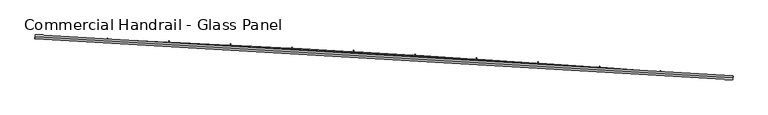
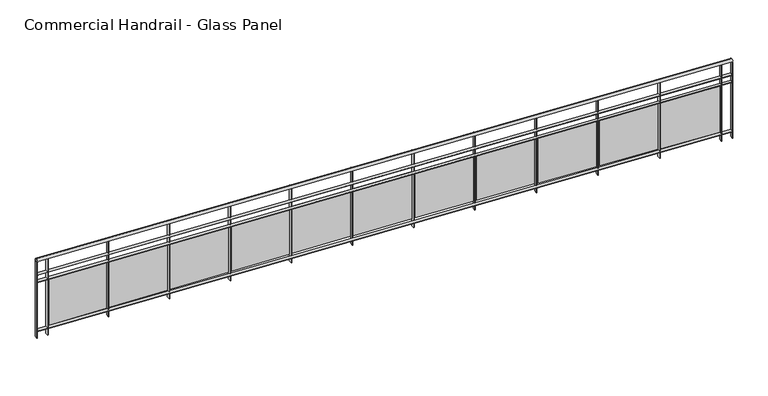
"""IFC4 building model written with IfcOpenShell, lengths in millimetres: railing geometry, Commercial Handrail - Glass Panel."""

from ifc_helpers import new_model, si_unit, point, frame, origin, place, context, project, spatial, polyline, circle_curve, ellipse_curve, trimmed, outline, extrude, source, transform, mapped, element, save
from ifc_brep_helpers import plane_surface, cylinder_surface, revolved_surface, advanced_brep


def commercial_handrail_glass_panel_46b9ec90(model_context):
    return source(origin(), model_context, "Body", "SolidModel", [
        advanced_brep(
        [(118318.4035087, -32849.2717188, 23082.5), (127382.7214131, -33380.8122629, 23082.5), (127382.7214131, -33380.8122629, 23117.5), (118318.4035087, -32849.2717188, 23117.5)],
        [
            (0, 1, circle_curve(frame((108840.1585672, -272033.3263712, 23082.5), z_axis=(0.0, 0.0, -1.0), x_axis=(0.07746344550314502, 0.9969951928724538, 0.0)), 239371.7801395)),
            (1, 2, ellipse_curve(frame((127382.7214131, -33380.8122629, 23100.0), z_axis=(-0.9969951928724544, 0.07746344550313862, 0.0), x_axis=(0.0774634455031386, 0.9969951928724542, 0.0)), 25.0, 17.5)),
            (2, 3, circle_curve(frame((108840.1585672, -272033.3263712, 23117.5), z_axis=(0.0, 0.0, 1.0), x_axis=(0.07746344550314502, 0.9969951928724538, 0.0)), 239371.7801395)),
            (3, 0, ellipse_curve(frame((118318.4035087, -32849.2717188, 23100.0), z_axis=(0.9992157576513465, -0.03959633393694334, 0.0), x_axis=(0.03959633393694333, 0.9992157576513463, 0.0)), 25.0, 17.5)),
            (2, 1, ellipse_curve(frame((127382.7214131, -33380.8122629, 23100.0), z_axis=(-0.9969951928724544, 0.07746344550313862, 0.0), x_axis=(0.0774634455031386, 0.9969951928724542, 0.0)), 25.0, 17.5)),
            (0, 3, ellipse_curve(frame((118318.4035087, -32849.2717188, 23100.0), z_axis=(0.9992157576513465, -0.03959633393694334, 0.0), x_axis=(0.03959633393694333, 0.9992157576513463, 0.0)), 25.0, 17.5)),
        ],
        [
            revolved_surface(trimmed(ellipse_curve(frame((127382.7214131, -33380.8122629, 23100.0), z_axis=(0.9969951928724538, -0.07746344550314502, 0.0), x_axis=(0.0, 0.0, -1.0)), 17.5, 25.0), [point((127382.7214131, -33380.8122629, 23117.5))], [point((127382.7214131, -33380.8122629, 23082.5))], True, "CARTESIAN"), (108840.1585672, -272033.3263712, 23100.0), (0.0, 0.0, 1.0)),
            revolved_surface(trimmed(ellipse_curve(frame((127382.7214131, -33380.8122629, 23100.0), z_axis=(0.9969951928724538, -0.07746344550314502, 0.0), x_axis=(0.0, 0.0, -1.0)), 17.5, 25.0), [point((127382.7214131, -33380.8122629, 23082.5))], [point((127382.7214131, -33380.8122629, 23117.5))], True, "CARTESIAN"), (108840.1585672, -272033.3263712, 23100.0), (0.0, 0.0, 1.0)),
            plane_surface(frame((127382.7214131, -33380.8122629, 23100.0), z_axis=(0.9969951928724538, -0.07746344550314502, 0.0), x_axis=(0.07746344550314502, 0.9969951928724538, 0.0))),
            plane_surface(frame((118318.4035087, -32849.2717188, 23100.0), z_axis=(-0.9992157576513464, 0.03959633393694337, 0.0), x_axis=(0.03959633393694337, 0.9992157576513464, 0.0))),
        ],
        [
            (0, [[1, 2, 3, 4]]),
            (1, [[-3, 5, -1, 6]]),
            (2, [[-2, -5]]),
            (3, [[-6, -4]]),
        ],
    ),
        advanced_brep(
        [(118317.5125912, -32871.7540734, 22900.0), (127380.9784855, -33403.2446547, 22900.0), (127384.4643406, -33358.379871, 22900.0), (118319.2944262, -32826.7893643, 22900.0), (118317.5125912, -32871.7540734, 22894.0), (127380.9784855, -33403.2446547, 22894.0), (118319.2944262, -32826.7893643, 22894.0), (127384.4643406, -33358.379871, 22894.0)],
        [
            (0, 1, circle_curve(frame((108840.1585672, -272033.3263712, 22900.0), z_axis=(0.0, 0.0, -1.0), x_axis=(0.07746344550314502, 0.9969951928724538, 0.0)), 239349.2801395)),
            (1, 2),
            (2, 3, circle_curve(frame((108840.1585672, -272033.3263712, 22900.0), z_axis=(0.0, 0.0, 1.0), x_axis=(0.07746344550314502, 0.9969951928724538, 0.0)), 239394.2801395)),
            (3, 0),
            (4, 5, circle_curve(frame((108840.1585672, -272033.3263712, 22894.0), z_axis=(0.0, 0.0, -1.0), x_axis=(0.07746344550314502, 0.9969951928724538, 0.0)), 239349.2801395)),
            (5, 1),
            (0, 4),
            (6, 7, circle_curve(frame((108840.1585672, -272033.3263712, 22894.0), z_axis=(0.0, 0.0, -1.0), x_axis=(0.07746344550314502, 0.9969951928724538, 0.0)), 239394.2801395)),
            (7, 5),
            (4, 6),
            (2, 7),
            (6, 3),
        ],
        [
            plane_surface(frame((108840.1585672, -272033.3263712, 22900.0), z_axis=(0.0, 0.0, 1.0), x_axis=(0.07746344550314502, 0.9969951928724538, 0.0))),
            revolved_surface(polyline([(127380.97848550315, -33403.24465463619, 22900.0), (127380.97848550315, -33403.24465463619, 22894.0)]), (108840.1585672, -272033.3263712, 22900.0), (0.0, 0.0, 1.0)),
            plane_surface(frame((108840.1585672, -272033.3263712, 22894.0), z_axis=(0.0, 0.0, -1.0), x_axis=(0.07746344550314502, 0.9969951928724538, 0.0))),
            cylinder_surface(frame((108840.1585672, -272033.3263712, 22900.0), z_axis=(0.0, 0.0, 1.0), x_axis=(0.07746344550314502, 0.9969951928724538, 0.0)), 239394.2801395),
            plane_surface(frame((127382.7214131, -33380.8122629, 22900.0), z_axis=(0.9969951928724538, -0.07746344550314502, 0.0), x_axis=(0.07746344550314502, 0.9969951928724538, 0.0))),
            plane_surface(frame((118318.4035087, -32849.2717188, 22900.0), z_axis=(-0.9992157576513464, 0.03959633393694337, 0.0), x_axis=(0.03959633393694337, 0.9992157576513464, 0.0))),
        ],
        [
            (0, [[1, 2, 3, 4]]),
            (1, [[5, 6, -1, 7]]),
            (2, [[8, 9, -5, 10]]),
            (3, [[-3, 11, -8, 12]]),
            (4, [[-2, -6, -9, -11]]),
            (5, [[-12, -10, -7, -4]]),
        ],
    ),
        advanced_brep(
        [(118317.5125912, -32871.7540734, 22800.0), (127380.9784855, -33403.2446547, 22800.0), (127384.4643406, -33358.379871, 22800.0), (118319.2944262, -32826.7893643, 22800.0), (118317.5125912, -32871.7540734, 22794.0), (127380.9784855, -33403.2446547, 22794.0), (118319.2944262, -32826.7893643, 22794.0), (127384.4643406, -33358.379871, 22794.0)],
        [
            (0, 1, circle_curve(frame((108840.1585672, -272033.3263712, 22800.0), z_axis=(0.0, 0.0, -1.0), x_axis=(0.07746344550314502, 0.9969951928724538, 0.0)), 239349.2801395)),
            (1, 2),
            (2, 3, circle_curve(frame((108840.1585672, -272033.3263712, 22800.0), z_axis=(0.0, 0.0, 1.0), x_axis=(0.07746344550314502, 0.9969951928724538, 0.0)), 239394.2801395)),
            (3, 0),
            (4, 5, circle_curve(frame((108840.1585672, -272033.3263712, 22794.0), z_axis=(0.0, 0.0, -1.0), x_axis=(0.07746344550314502, 0.9969951928724538, 0.0)), 239349.2801395)),
            (5, 1),
            (0, 4),
            (6, 7, circle_curve(frame((108840.1585672, -272033.3263712, 22794.0), z_axis=(0.0, 0.0, -1.0), x_axis=(0.07746344550314502, 0.9969951928724538, 0.0)), 239394.2801395)),
            (7, 5),
            (4, 6),
            (2, 7),
            (6, 3),
        ],
        [
            plane_surface(frame((108840.1585672, -272033.3263712, 22800.0), z_axis=(0.0, 0.0, 1.0), x_axis=(0.07746344550314502, 0.9969951928724538, 0.0))),
            revolved_surface(polyline([(127380.97848550315, -33403.24465463619, 22800.0), (127380.97848550315, -33403.24465463619, 22794.0)]), (108840.1585672, -272033.3263712, 22800.0), (0.0, 0.0, 1.0)),
            plane_surface(frame((108840.1585672, -272033.3263712, 22794.0), z_axis=(0.0, 0.0, -1.0), x_axis=(0.07746344550314502, 0.9969951928724538, 0.0))),
            cylinder_surface(frame((108840.1585672, -272033.3263712, 22800.0), z_axis=(0.0, 0.0, 1.0), x_axis=(0.07746344550314502, 0.9969951928724538, 0.0)), 239394.2801395),
            plane_surface(frame((127382.7214131, -33380.8122629, 22800.0), z_axis=(0.9969951928724538, -0.07746344550314502, 0.0), x_axis=(0.07746344550314502, 0.9969951928724538, 0.0))),
            plane_surface(frame((118318.4035087, -32849.2717188, 22800.0), z_axis=(-0.9992157576513464, 0.03959633393694337, 0.0), x_axis=(0.03959633393694337, 0.9992157576513464, 0.0))),
        ],
        [
            (0, [[1, 2, 3, 4]]),
            (1, [[5, 6, -1, 7]]),
            (2, [[8, 9, -5, 10]]),
            (3, [[-3, 11, -8, 12]]),
            (4, [[-2, -6, -9, -11]]),
            (5, [[-12, -10, -7, -4]]),
        ],
    ),
        advanced_brep(
        [(118317.5125912, -32871.7540734, 22100.0), (127380.9784855, -33403.2446547, 22100.0), (127384.4643406, -33358.379871, 22100.0), (118319.2944262, -32826.7893643, 22100.0), (118317.5125912, -32871.7540734, 22094.0), (127380.9784855, -33403.2446547, 22094.0), (118319.2944262, -32826.7893643, 22094.0), (127384.4643406, -33358.379871, 22094.0)],
        [
            (0, 1, circle_curve(frame((108840.1585672, -272033.3263712, 22100.0), z_axis=(0.0, 0.0, -1.0), x_axis=(0.07746344550314502, 0.9969951928724538, 0.0)), 239349.2801395)),
            (1, 2),
            (2, 3, circle_curve(frame((108840.1585672, -272033.3263712, 22100.0), z_axis=(0.0, 0.0, 1.0), x_axis=(0.07746344550314502, 0.9969951928724538, 0.0)), 239394.2801395)),
            (3, 0),
            (4, 5, circle_curve(frame((108840.1585672, -272033.3263712, 22094.0), z_axis=(0.0, 0.0, -1.0), x_axis=(0.07746344550314502, 0.9969951928724538, 0.0)), 239349.2801395)),
            (5, 1),
            (0, 4),
            (6, 7, circle_curve(frame((108840.1585672, -272033.3263712, 22094.0), z_axis=(0.0, 0.0, -1.0), x_axis=(0.07746344550314502, 0.9969951928724538, 0.0)), 239394.2801395)),
            (7, 5),
            (4, 6),
            (2, 7),
            (6, 3),
        ],
        [
            plane_surface(frame((108840.1585672, -272033.3263712, 22100.0), z_axis=(0.0, 0.0, 1.0), x_axis=(0.07746344550314502, 0.9969951928724538, 0.0))),
            revolved_surface(polyline([(127380.97848550315, -33403.24465463619, 22100.0), (127380.97848550315, -33403.24465463619, 22094.0)]), (108840.1585672, -272033.3263712, 22100.0), (0.0, 0.0, 1.0)),
            plane_surface(frame((108840.1585672, -272033.3263712, 22094.0), z_axis=(0.0, 0.0, -1.0), x_axis=(0.07746344550314502, 0.9969951928724538, 0.0))),
            cylinder_surface(frame((108840.1585672, -272033.3263712, 22100.0), z_axis=(0.0, 0.0, 1.0), x_axis=(0.07746344550314502, 0.9969951928724538, 0.0)), 239394.2801395),
            plane_surface(frame((127382.7214131, -33380.8122629, 22100.0), z_axis=(0.9969951928724538, -0.07746344550314502, 0.0), x_axis=(0.07746344550314502, 0.9969951928724538, 0.0))),
            plane_surface(frame((118318.4035087, -32849.2717188, 22100.0), z_axis=(-0.9992157576513464, 0.03959633393694337, 0.0), x_axis=(0.03959633393694337, 0.9992157576513464, 0.0))),
        ],
        [
            (0, [[1, 2, 3, 4]]),
            (1, [[5, 6, -1, 7]]),
            (2, [[8, 9, -5, 10]]),
            (3, [[-3, 11, -8, 12]]),
            (4, [[-2, -6, -9, -11]]),
            (5, [[-12, -10, -7, -4]]),
        ],
    ),
        extrude(outline(polyline([(118462.4105775, -32832.5035492), (118460.6024038, -32877.4672068), (118454.6072494, -32877.226117), (118456.4154232, -32832.2624594), (118462.4105775, -32832.5035492)])), frame((0.0, 0.0, 22000.0), z_axis=(0.0, 0.0, 1.0), x_axis=(1.0, 0.0, 0.0)), (0.0, 0.0, 1.0), 1082.1192282),
        extrude(outline(polyline([(119237.5882112, -32893.169646), (118478.2540839, -32861.3626786), (118478.7562992, -32849.3731924), (119238.0904265, -32881.1801598), (119237.5882112, -32893.169646)])), frame((0.0, 0.0, 22120.0), z_axis=(0.0, 0.0, 1.0), x_axis=(1.0, 0.0, 0.0)), (0.0, 0.0, 1.0), 660.0),
        extrude(outline(polyline([(119261.7839982, -32865.9977164), (119259.8255626, -32910.9550799), (119253.8312475, -32910.6939552), (119255.789683, -32865.7365917), (119261.7839982, -32865.9977164)])), frame((0.0, 0.0, 22000.0), z_axis=(0.0, 0.0, 1.0), x_axis=(1.0, 0.0, 0.0)), (0.0, 0.0, 1.0), 1082.1192282),
        extrude(outline(polyline([(120036.754552, -32929.2541764), (119277.5309667, -32894.9096349), (119278.0732489, -32882.9218941), (120037.2968342, -32917.2664356), (120036.754552, -32929.2541764)])), frame((0.0, 0.0, 22120.0), z_axis=(0.0, 0.0, 1.0), x_axis=(1.0, 0.0, 0.0)), (0.0, 0.0, 1.0), 660.0),
        extrude(outline(polyline([(120061.0410145, -32902.1632628), (120058.932339, -32947.1138299), (120052.93893, -32946.8326732), (120055.0476055, -32901.8821061), (120061.0410145, -32902.1632628)])), frame((0.0, 0.0, 22000.0), z_axis=(0.0, 0.0, 1.0), x_axis=(1.0, 0.0, 0.0)), (0.0, 0.0, 1.0), 1082.1192282),
        extrude(outline(polyline([(120835.7958324, -32968.0093795), (120076.6912693, -32931.1276473), (120077.2736124, -32919.1417858), (120836.3781756, -32956.0235179), (120835.7958324, -32968.0093795)])), frame((0.0, 0.0, 22120.0), z_axis=(0.0, 0.0, 1.0), x_axis=(1.0, 0.0, 0.0)), (0.0, 0.0, 1.0), 660.0),
        extrude(outline(polyline([(120860.1726992, -32940.9997843), (120857.9138072, -32985.943053), (120851.9213714, -32985.6418675), (120854.1802633, -32940.6985987), (120860.1726992, -32940.9997843)])), frame((0.0, 0.0, 22000.0), z_axis=(0.0, 0.0, 1.0), x_axis=(1.0, 0.0, 0.0)), (0.0, 0.0, 1.0), 1082.1192282),
        extrude(outline(polyline([(121634.7031276, -33009.4348222), (120875.7260654, -32970.0163114), (120876.3484629, -32958.032463), (121635.3255252, -32997.4509738), (121634.7031276, -33009.4348222)])), frame((0.0, 0.0, 22120.0), z_axis=(0.0, 0.0, 1.0), x_axis=(1.0, 0.0, 0.0)), (0.0, 0.0, 1.0), 660.0),
        extrude(outline(polyline([(121659.1701263, -32982.5068471), (121656.7610432, -33027.4423155), (121650.7696474, -33027.1211044), (121653.1787305, -32982.1856361), (121659.1701263, -32982.5068471)])), frame((0.0, 0.0, 22000.0), z_axis=(0.0, 0.0, 1.0), x_axis=(1.0, 0.0, 0.0)), (0.0, 0.0, 1.0), 1082.1192282),
        extrude(outline(polyline([(122433.4675142, -33053.5300418), (121674.6264303, -33011.5751927), (121675.2888752, -32999.5934914), (122434.1299592, -33041.5483405), (122433.4675142, -33053.5300418)])), frame((0.0, 0.0, 22120.0), z_axis=(0.0, 0.0, 1.0), x_axis=(1.0, 0.0, 0.0)), (0.0, 0.0, 1.0), 660.0),
        extrude(outline(polyline([(122458.0243716, -33026.6839877), (122455.4651242, -33071.6111538), (122449.4748354, -33071.2699209), (122452.0340827, -33026.3427548), (122458.0243716, -33026.6839877)])), frame((0.0, 0.0, 22000.0), z_axis=(0.0, 0.0, 1.0), x_axis=(1.0, 0.0, 0.0)), (0.0, 0.0, 1.0), 1082.1192282),
        extrude(outline(polyline([(123232.0800703, -33100.2945459), (122473.3834406, -33055.8038271), (122474.0859256, -33043.8244066), (123232.7825553, -33088.3151255), (123232.0800703, -33100.2945459)])), frame((0.0, 0.0, 22120.0), z_axis=(0.0, 0.0, 1.0), x_axis=(1.0, 0.0, 0.0)), (0.0, 0.0, 1.0), 660.0),
        extrude(outline(polyline([(123256.726512, -33073.5307127), (123254.017129, -33118.4490746), (123248.0280141, -33118.0878236), (123250.7373971, -33073.1694616), (123256.726512, -33073.5307127)])), frame((0.0, 0.0, 22000.0), z_axis=(0.0, 0.0, 1.0), x_axis=(1.0, 0.0, 0.0)), (0.0, 0.0, 1.0), 1082.1192282),
        extrude(outline(polyline([(124030.5318758, -33149.7278122), (123271.9881746, -33102.7017206), (123272.7306918, -33090.7247148), (124031.2743931, -33137.7508064), (124030.5318758, -33149.7278122)])), frame((0.0, 0.0, 22120.0), z_axis=(0.0, 0.0, 1.0), x_axis=(1.0, 0.0, 0.0)), (0.0, 0.0, 1.0), 660.0),
        extrude(outline(polyline([(124055.2676267, -33123.0464986), (124052.4081383, -33167.9555548), (124046.4202641, -33167.5742897), (124049.2797526, -33122.6652335), (124055.2676267, -33123.0464986)])), frame((0.0, 0.0, 22000.0), z_axis=(0.0, 0.0, 1.0), x_axis=(1.0, 0.0, 0.0)), (0.0, 0.0, 1.0), 1082.1192282),
        extrude(outline(polyline([(124828.8140126, -33201.8292884), (124070.4317123, -33152.2683493), (124071.2142535, -33140.2938919), (124829.5965537, -33189.854831), (124828.8140126, -33201.8292884)])), frame((0.0, 0.0, 22120.0), z_axis=(0.0, 0.0, 1.0), x_axis=(1.0, 0.0, 0.0)), (0.0, 0.0, 1.0), 660.0),
        extrude(outline(polyline([(124853.6387962, -33175.2307926), (124850.6292343, -33220.1300413), (124844.6426678, -33219.7287664), (124847.6522297, -33174.8295177), (124853.6387962, -33175.2307926)])), frame((0.0, 0.0, 22000.0), z_axis=(0.0, 0.0, 1.0), x_axis=(1.0, 0.0, 0.0)), (0.0, 0.0, 1.0), 1082.1192282),
        extrude(outline(polyline([(125626.917564, -33256.5983926), (124868.7051355, -33204.5031595), (124869.5276919, -33192.5313844), (125627.7401203, -33244.6266175), (125626.917564, -33256.5983926)])), frame((0.0, 0.0, 22120.0), z_axis=(0.0, 0.0, 1.0), x_axis=(1.0, 0.0, 0.0)), (0.0, 0.0, 1.0), 660.0),
        extrude(outline(polyline([(125651.8311032, -33230.0830117), (125648.6715014, -33274.9719515), (125642.6863095, -33274.5506713), (125645.8459113, -33229.6617315), (125651.8311032, -33230.0830117)])), frame((0.0, 0.0, 22000.0), z_axis=(0.0, 0.0, 1.0), x_axis=(1.0, 0.0, 0.0)), (0.0, 0.0, 1.0), 1082.1192282),
        extrude(outline(polyline([(126424.8336158, -33314.0345132), (125666.7995279, -33259.405568), (125667.6620902, -33247.4366087), (126425.6961781, -33302.0655539), (126424.8336158, -33314.0345132)])), frame((0.0, 0.0, 22120.0), z_axis=(0.0, 0.0, 1.0), x_axis=(1.0, 0.0, 0.0)), (0.0, 0.0, 1.0), 660.0),
        extrude(outline(polyline([(126449.8356323, -33287.6025432), (126446.5260259, -33332.4806727), (126440.5422753, -33332.0393919), (126443.8518817, -33287.1612624), (126449.8356323, -33287.6025432)])), frame((0.0, 0.0, 22000.0), z_axis=(0.0, 0.0, 1.0), x_axis=(1.0, 0.0, 0.0)), (0.0, 0.0, 1.0), 1082.1192282),
        extrude(outline(polyline([(127222.5532556, -33374.1370085), (126464.7059752, -33316.9749614), (126465.6085338, -33305.0089517), (127223.4558142, -33362.1709988), (127222.5532556, -33374.1370085)])), frame((0.0, 0.0, 22120.0), z_axis=(0.0, 0.0, 1.0), x_axis=(1.0, 0.0, 0.0)), (0.0, 0.0, 1.0), 660.0),
        extrude(outline(polyline([(127247.64347, -33347.7887447), (127244.1838961, -33392.6555626), (127238.2016537, -33392.1942861), (127241.6612277, -33347.3274682), (127247.64347, -33347.7887447)])), frame((0.0, 0.0, 22000.0), z_axis=(0.0, 0.0, 1.0), x_axis=(1.0, 0.0, 0.0)), (0.0, 0.0, 1.0), 1082.1192282),
        extrude(outline(polyline([(118322.2920735, -32826.9081533), (118320.5102385, -32871.8728624), (118314.5149439, -32871.6352844), (118316.296779, -32826.6705753), (118322.2920735, -32826.9081533)])), frame((0.0, 0.0, 22000.0), z_axis=(0.0, 0.0, 1.0), x_axis=(1.0, 0.0, 0.0)), (0.0, 0.0, 1.0), 1082.1192282),
        extrude(outline(polyline([(127387.4553262, -33358.6122614), (127383.9694711, -33403.477045), (127377.9875, -33403.0122644), (127381.473355, -33358.1474807), (127387.4553262, -33358.6122614)])), frame((0.0, 0.0, 22000.0), z_axis=(0.0, 0.0, 1.0), x_axis=(1.0, 0.0, 0.0)), (0.0, 0.0, 1.0), 1082.1192282),
    ])


if __name__ == "__main__":
    model = new_model("IFC4")
    model_context = context("Model", 3, world=origin())
    ifc_project = project(units=[si_unit("LENGTHUNIT", "METRE", prefix="MILLI")], contexts=[model_context])
    site = spatial("IfcSite", under=ifc_project)
    building = spatial("IfcBuilding", under=site)
    placement = place(None, origin())
    commercial_handrail_glass_panel_shape = commercial_handrail_glass_panel_46b9ec90(model_context)
    element("IfcRailing", 1, ObjectType="Commercial Handrail - Glass Panel", at=placement, inside=building, context=model_context, shape_type="MappedRepresentation", body=[
        mapped(commercial_handrail_glass_panel_shape, transform((0.0, 0.0, 0.0), x_axis=(1.0, 0.0, 0.0), y_axis=(0.0, 1.0, 0.0), z_axis=(0.0, 0.0, 1.0))),
    ])
    save(model, "model.ifc")
